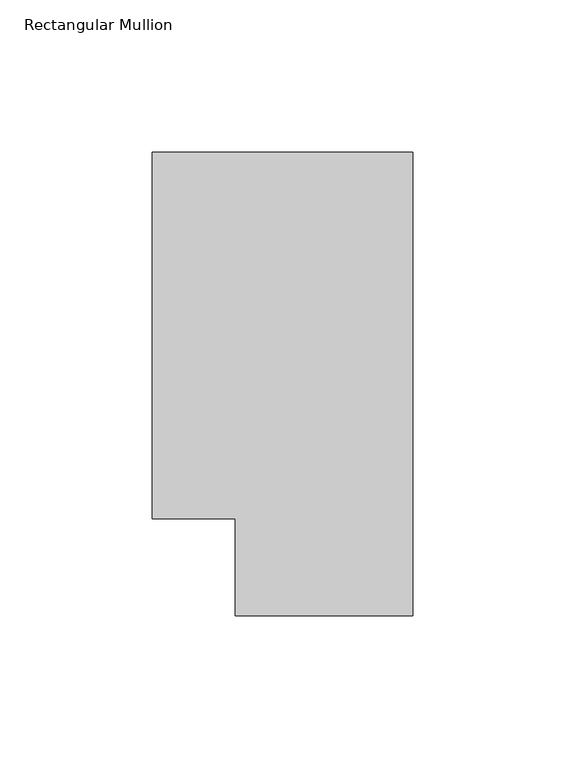
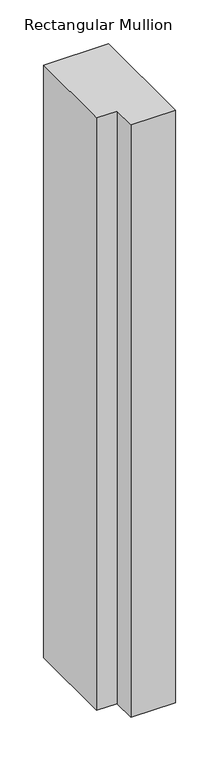
"""IFC4 building model written with IfcOpenShell, lengths in millimetres: member geometry, Rectangular Mullion."""

from ifc_helpers import new_model, si_unit, frame, origin, place, context, project, spatial, polyline, outline, extrude, source, transform, mapped, element, save


def rectangular_mullion_eb0059c2(model_context):
    return source(origin(), model_context, "Body", "SweptSolid", [
        extrude(outline(polyline([(0.0, 152.4), (0.0, 0.0), (-58.4073, 0.0), (-58.4073, 31.75), (-85.7123, 31.75), (-85.7123, 152.4), (0.0, 152.4)])), frame((0.0, 0.0, -825.4868072), z_axis=(0.0, 0.0, 1.0), x_axis=(1.0, 0.0, 0.0)), (0.0, 0.0, 1.0), 825.4868072),
    ])


if __name__ == "__main__":
    model = new_model("IFC4")
    model_context = context("Model", 3, world=origin())
    ifc_project = project(units=[si_unit("LENGTHUNIT", "METRE", prefix="MILLI")], contexts=[model_context])
    site = spatial("IfcSite", under=ifc_project)
    building = spatial("IfcBuilding", under=site)
    placement = place(None, origin())
    rectangular_mullion_shape = rectangular_mullion_eb0059c2(model_context)
    element("IfcMember", 1, ObjectType="Rectangular Mullion", at=placement, inside=building, context=model_context, shape_type="MappedRepresentation", body=[
        mapped(rectangular_mullion_shape, transform((0.0, 0.0, 0.0), x_axis=(1.0, 0.0, 0.0), y_axis=(0.0, 1.0, 0.0), z_axis=(0.0, 0.0, 1.0))),
    ])
    save(model, "model.ifc")
